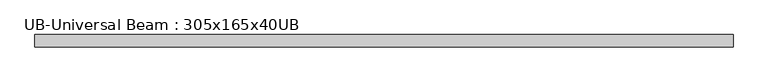
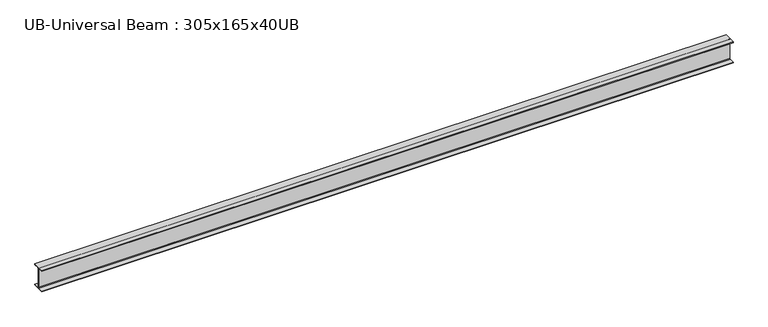
"""IFC4 building model written with IfcOpenShell, lengths in millimetres: beam geometry, UB-Universal Beam : 305x165x40UB."""

from ifc_helpers import new_model, si_unit, point, frame, frame_2d, origin, place, context, project, spatial, polyline, circle_curve, trimmed, segment, composite_curve, outline, extrude, source, transform, mapped, element, save


def ub_universal_beam_305x165x40ub_5b2b1b18(model_context):
    return source(origin(), model_context, "Body", "SweptSolid", [
        extrude(outline(composite_curve([segment(polyline([(82.5, -141.5), (82.5, -151.7), (-82.5, -151.7), (-82.5, -141.5), (-11.9, -141.5)]), True, "CONTINUOUS"), segment(trimmed(circle_curve(frame_2d((-11.9, -132.6)), 8.9), [point((-11.9, -141.5))], [point((-3.0, -132.6))], True, "CARTESIAN"), True, "CONTINUOUS"), segment(polyline([(-3.0, -132.6), (-3.0, 132.6)]), True, "CONTINUOUS"), segment(trimmed(circle_curve(frame_2d((-11.9, 132.6)), 8.9), [point((-3.0, 132.6))], [point((-11.9, 141.5))], True, "CARTESIAN"), True, "CONTINUOUS"), segment(polyline([(-11.9, 141.5), (-82.5, 141.5), (-82.5, 151.7), (82.5, 151.7), (82.5, 141.5), (11.9, 141.5)]), True, "CONTINUOUS"), segment(trimmed(circle_curve(frame_2d((11.9, 132.6)), 8.9), [point((11.9, 141.5))], [point((3.0, 132.6))], True, "CARTESIAN"), True, "CONTINUOUS"), segment(polyline([(3.0, 132.6), (3.0, -132.6)]), True, "CONTINUOUS"), segment(trimmed(circle_curve(frame_2d((11.9, -132.6)), 8.9), [point((3.0, -132.6))], [point((11.9, -141.5))], True, "CARTESIAN"), True, "CONTINUOUS"), segment(polyline([(11.9, -141.5), (82.5, -141.5)]), True, "CONTINUOUS")], self_intersect=False)), frame((-4725.85, 0.0, 0.0), z_axis=(1.0, 0.0, 0.0), x_axis=(0.0, 1.0, 0.0)), (0.0, 0.0, 1.0), 9451.7),
    ])


if __name__ == "__main__":
    model = new_model("IFC4")
    model_context = context("Model", 3, world=origin())
    ifc_project = project(units=[si_unit("LENGTHUNIT", "METRE", prefix="MILLI")], contexts=[model_context])
    site = spatial("IfcSite", under=ifc_project)
    building = spatial("IfcBuilding", under=site)
    placement = place(None, origin())
    ub_universal_beam_305x165x40ub_shape = ub_universal_beam_305x165x40ub_5b2b1b18(model_context)
    element("IfcBeam", 1, ObjectType="UB-Universal Beam : 305x165x40UB", at=placement, inside=building, context=model_context, shape_type="MappedRepresentation", body=[
        mapped(ub_universal_beam_305x165x40ub_shape, transform((0.0, 0.0, 0.0), x_axis=(1.0, 0.0, 0.0), y_axis=(0.0, 1.0, 0.0), z_axis=(0.0, 0.0, 1.0))),
    ])
    save(model, "model.ifc")
